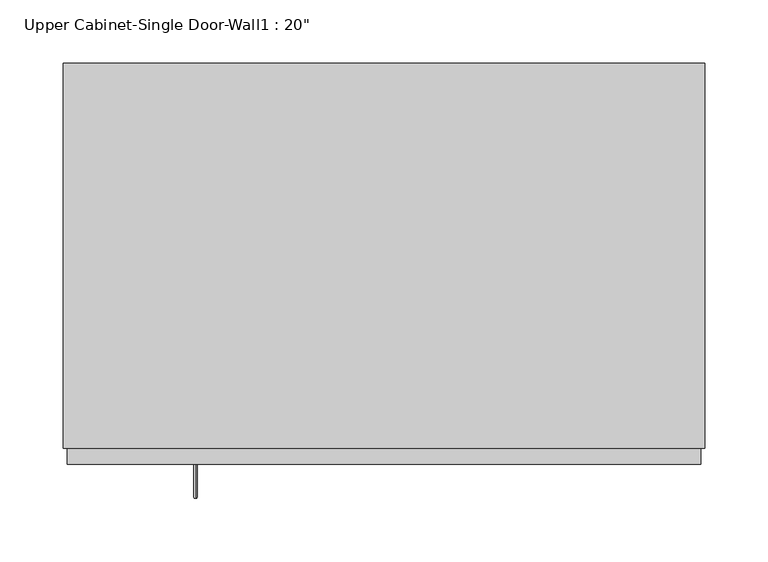
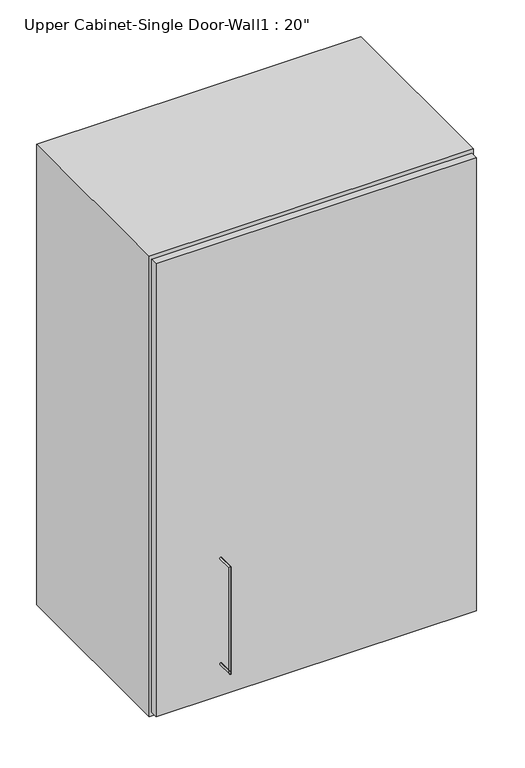
"""IFC4 building model written with IfcOpenShell, lengths in millimetres: furniture geometry."""

import ifcopenshell
import ifcopenshell.guid

model = None  # the IFC model being written
_history = None  # IfcOwnerHistory: only IFC2X3 demands one
_inside = {}  # id of a spatial element -> (the spatial element, [elements in it])
_under = {}  # id of a project, library or spatial element -> (it, [spatial elements below it])
_declared = {}  # id of a project -> (the project, [libraries it declares])
_typed = {}  # id of a type object -> (the type object, [elements of that type])
_made_of = {}  # id of a material, layer set ... -> (it, [elements and type objects made of it])


def new_model(schema):
    """Start an empty IFC model of exactly this schema.

    Asked for "IFC4X3", IfcOpenShell would pick the latest addendum, in which some entities
    have other attributes; the version numbers below select the first issue.
    IFC2X3 requires an IfcOwnerHistory on every rooted entity: one is made here for all.
    """
    global model, _history
    if schema == "IFC4X3":
        model = ifcopenshell.file(schema_version=(4, 3, 0, 0))
    else:
        model = ifcopenshell.file(schema=schema)
    _inside.clear()
    _under.clear()
    _declared.clear()
    _typed.clear()
    _made_of.clear()
    _history = None
    if model.schema == "IFC2X3":
        org = make("IfcOrganization", Name="unknown")
        user = make(
            "IfcPersonAndOrganization",
            ThePerson=make("IfcPerson", FamilyName="unknown"),
            TheOrganization=org,
        )
        app = make(
            "IfcApplication",
            ApplicationDeveloper=org,
            Version="unknown",
            ApplicationFullName="unknown",
            ApplicationIdentifier="unknown",
        )
        _history = make(
            "IfcOwnerHistory",
            OwningUser=user,
            OwningApplication=app,
            ChangeAction="ADDED",
            CreationDate=0,
        )
    return model


def make(cls, **values):
    """One entity of the class cls with the attributes given. An attribute that is None is left unset."""
    return model.create_entity(
        cls, **{name: value for name, value in values.items() if value is not None}
    )


def rooted(cls, **values):
    """An entity with a GlobalId (a new one), such as an element, a storey or a relation."""
    return make(cls, GlobalId=ifcopenshell.guid.new(), OwnerHistory=_history, **values)


def si_unit(unit_type, name, prefix=None):
    """IfcSIUnit, for example si_unit("LENGTHUNIT", "METRE", prefix="MILLI")."""
    return make("IfcSIUnit", UnitType=unit_type, Prefix=prefix, Name=name)


def assignment(units):
    """IfcUnitAssignment: the units of a project."""
    return None if units is None else make("IfcUnitAssignment", Units=units)


def point(xyz):
    """IfcCartesianPoint."""
    return None if xyz is None else make("IfcCartesianPoint", Coordinates=xyz)


def direction(xyz):
    """IfcDirection."""
    return None if xyz is None else make("IfcDirection", DirectionRatios=xyz)


def frame(location, z_axis=None, x_axis=None):
    """IfcAxis2Placement3D, a coordinate frame: its origin and axes. An axis left out is left unset."""
    return make(
        "IfcAxis2Placement3D",
        Location=point(location),
        Axis=direction(z_axis),
        RefDirection=direction(x_axis),
    )


def origin():
    """The frame at (0, 0, 0) with its axes left unset."""
    return frame((0.0, 0.0, 0.0))


def place(relative_to, where):
    """IfcLocalPlacement: puts the frame where relative to a parent placement (None: the world)."""
    return make(
        "IfcLocalPlacement", PlacementRelTo=relative_to, RelativePlacement=where
    )


def context(
    kind, dimensions, precision=None, world=None, true_north=None, identifier=None
):
    """IfcGeometricRepresentationContext, for example the 3D "Model" context."""
    return make(
        "IfcGeometricRepresentationContext",
        ContextIdentifier=identifier,
        ContextType=kind,
        CoordinateSpaceDimension=dimensions,
        Precision=precision,
        WorldCoordinateSystem=world,
        TrueNorth=true_north,
    )


def project(units=None, contexts=None):
    """IfcProject with its units and contexts."""
    return rooted(
        "IfcProject",
        Name="project",
        RepresentationContexts=contexts,
        UnitsInContext=assignment(units),
    )


def spatial(cls, under=None, at=None, **own):
    """A site, building, storey or space (cls), placed at a placement, below another one or the project."""
    s = rooted(cls, ObjectPlacement=at, **own)
    if under is not None:
        _under.setdefault(under.id(), (under, []))[1].append(s)
    return s


def polyline(points):
    """IfcPolyline through the points."""
    return make("IfcPolyline", Points=[point(p) for p in points])


def circle_curve(where, radius):
    """IfcCircle in the frame where."""
    return make("IfcCircle", Position=where, Radius=radius)


def ellipse_curve(where, semi_axis1, semi_axis2):
    """IfcEllipse in the frame where."""
    return make(
        "IfcEllipse", Position=where, SemiAxis1=semi_axis1, SemiAxis2=semi_axis2
    )


def outline(outer, holes=None, kind="AREA"):
    """IfcArbitraryClosedProfileDef: a profile drawn as a closed curve; with holes, ...WithVoids."""
    if holes is None:
        return make("IfcArbitraryClosedProfileDef", ProfileType=kind, OuterCurve=outer)
    return make(
        "IfcArbitraryProfileDefWithVoids",
        ProfileType=kind,
        OuterCurve=outer,
        InnerCurves=holes,
    )


def extrude(swept, where, along, depth):
    """IfcExtrudedAreaSolid: the profile swept, set in the frame where, extruded along a direction by depth."""
    return make(
        "IfcExtrudedAreaSolid",
        SweptArea=swept,
        Position=where,
        ExtrudedDirection=direction(along),
        Depth=depth,
    )


def faces_of(points, faces, orient=None, outer=None):
    """IfcFace entities. A face is a list of loops; a loop is a list of indices into points, from 0.

    orient and outer hold one flag for each loop. By default every Orientation is true, the
    first loop of a face is its IfcFaceOuterBound and the others are IfcFaceBound.
    """
    made = []
    for i, loops in enumerate(faces):
        bounds = []
        for j, loop in enumerate(loops):
            is_outer = j == 0 if outer is None else outer[i][j]
            bounds.append(
                make(
                    "IfcFaceOuterBound" if is_outer else "IfcFaceBound",
                    Bound=make("IfcPolyLoop", Polygon=[points[k] for k in loop]),
                    Orientation=True if orient is None else orient[i][j],
                )
            )
        made.append(make("IfcFace", Bounds=bounds))
    return made


def faceted_brep(points, faces, orient=None, outer=None, voids=None):
    """IfcFacetedBrep: a solid bounded by flat faces; with voids (closed shells), ...WithVoids."""
    shared = [point(p) for p in points]
    hull = make("IfcClosedShell", CfsFaces=faces_of(shared, faces, orient, outer))
    if voids is None:
        return make("IfcFacetedBrep", Outer=hull)
    return make(
        "IfcFacetedBrepWithVoids",
        Outer=hull,
        Voids=[
            make(cls, CfsFaces=faces_of(shared, fs, o, b)) for cls, fs, o, b in voids
        ],
    )


def shape(context_of_items, identifier, shape_type, items):
    """IfcShapeRepresentation: the items that make up one representation, for example the "Body"."""
    return make(
        "IfcShapeRepresentation",
        ContextOfItems=context_of_items,
        RepresentationIdentifier=identifier,
        RepresentationType=shape_type,
        Items=items,
    )


def source(mapping_origin, context_of_items, identifier, shape_type, items):
    """IfcRepresentationMap: a shape defined once, which mapped items show again and again."""
    return make(
        "IfcRepresentationMap",
        MappingOrigin=mapping_origin,
        MappedRepresentation=shape(context_of_items, identifier, shape_type, items),
    )


def transform(
    local_origin,
    x_axis=None,
    y_axis=None,
    z_axis=None,
    scale=None,
    scale2=None,
    scale3=None,
    uniform=True,
):
    """IfcCartesianTransformationOperator3D, or its non-uniform kind. x_axis, y_axis, z_axis: its Axis1, 2, 3."""
    if uniform:
        return make(
            "IfcCartesianTransformationOperator3D",
            Axis1=direction(x_axis),
            Axis2=direction(y_axis),
            LocalOrigin=point(local_origin),
            Scale=scale,
            Axis3=direction(z_axis),
        )
    return make(
        "IfcCartesianTransformationOperator3DnonUniform",
        Axis1=direction(x_axis),
        Axis2=direction(y_axis),
        LocalOrigin=point(local_origin),
        Scale=scale,
        Axis3=direction(z_axis),
        Scale2=scale2,
        Scale3=scale3,
    )


def mapped(mapping_source, mapping_target):
    """IfcMappedItem: shows the shape of a source again, moved by a transform."""
    return make(
        "IfcMappedItem", MappingSource=mapping_source, MappingTarget=mapping_target
    )


def made_of(thing, what):
    """Note that an element or type object is made of a material, layer set ...; save() writes the relation."""
    if what is not None:
        _made_of.setdefault(what.id(), (what, []))[1].append(thing)
    return thing


def element(
    cls,
    number,
    at=None,
    inside=None,
    cuts=None,
    type_object=None,
    material=None,
    context=None,
    identifier="Body",
    shape_type=None,
    held_by="IfcProductDefinitionShape",
    body=None,
    shapes=None,
    **own,
):
    """One element of the class cls, such as IfcWall. Its Tag is "e" and its number.

    at: its placement. inside: the storey or other place that contains it. cuts: it is an
    opening in that element (IfcRelVoidsElement). A single representation is given by context,
    identifier, shape_type and body (its items); several are given by shapes. held_by: the class
    of the entity that holds the representations. save() writes the other relations.
    """
    e = rooted(cls, Tag="e%d" % number, ObjectPlacement=at, **own)
    if body is not None:
        shapes = [shape(context, identifier, shape_type, body)]
    if shapes is not None:
        e.Representation = make(held_by, Representations=shapes)
    if inside is not None:
        _inside.setdefault(inside.id(), (inside, []))[1].append(e)
    if cuts is not None:
        rooted(
            "IfcRelVoidsElement", RelatingBuildingElement=cuts, RelatedOpeningElement=e
        )
    if type_object is not None:
        _typed.setdefault(type_object.id(), (type_object, []))[1].append(e)
    return made_of(e, material)


def aggregate(whole, parts):
    """IfcRelAggregates: a whole, such as a stair, and the parts it consists of."""
    return rooted("IfcRelAggregates", RelatingObject=whole, RelatedObjects=parts)


def save(model, path):
    """Write the relations noted so far, then the file.

    IfcRelAggregates (storeys below a building ...), IfcRelContainedInSpatialStructure (elements
    in a storey), IfcRelDefinesByType, IfcRelAssociatesMaterial and IfcRelDeclares: one each for
    every whole, place, type object, material and project.
    """
    for whole, parts in _under.values():
        aggregate(whole, parts)
    for where, things in _inside.values():
        rooted(
            "IfcRelContainedInSpatialStructure",
            RelatedElements=things,
            RelatingStructure=where,
        )
    for kind, things in _typed.values():
        rooted("IfcRelDefinesByType", RelatedObjects=things, RelatingType=kind)
    for what, things in _made_of.values():
        rooted("IfcRelAssociatesMaterial", RelatedObjects=things, RelatingMaterial=what)
    for by, libraries in _declared.values():
        rooted("IfcRelDeclares", RelatingContext=by, RelatedDefinitions=libraries)
    model.write(path)


def plane_surface(at):
    """IfcPlane: the flat surface through the origin of the frame at, square to its z axis."""
    return make("IfcPlane", Position=at)


def cylinder_surface(at, radius):
    """IfcCylindricalSurface: all points at the distance radius from the z axis of the frame at."""
    return make("IfcCylindricalSurface", Position=at, Radius=radius)


def advanced_brep(points, edges, surfaces, faces):
    """IfcAdvancedBrep: a solid bounded by faces that lie on surfaces and meet in shared edges.

    An edge is (start, end): straight between two places in points (the first is 0);
    or (start, end, curve); or (start, end, curve, False) where it runs against its curve.
    A face is (place in surfaces, loops), or (place, loops, False) where it looks against
    its surface's normal. A loop lists edges by number (the first is 1), with a minus sign
    where the edge is run from its end to its start. The first loop is the outer one.
    """
    corners = [point(p) for p in points]
    vertices = [make("IfcVertexPoint", VertexGeometry=c) for c in corners]
    made = []
    for start, end, *more in edges:
        made.append(
            make(
                "IfcEdgeCurve",
                EdgeStart=vertices[start],
                EdgeEnd=vertices[end],
                EdgeGeometry=more[0] if more else make("IfcPolyline", Points=[corners[start], corners[end]]),
                SameSense=more[1] if len(more) > 1 else True,
            )
        )
    hull = []
    for where, loops, *sense in faces:
        bounds = []
        for j, loop in enumerate(loops):
            ring = [make("IfcOrientedEdge", EdgeElement=made[abs(k) - 1], Orientation=k > 0) for k in loop]
            bounds.append(
                make(
                    "IfcFaceOuterBound" if j == 0 else "IfcFaceBound",
                    Bound=make("IfcEdgeLoop", EdgeList=ring),
                    Orientation=True,
                )
            )
        hull.append(make("IfcAdvancedFace", Bounds=bounds, FaceSurface=surfaces[where], SameSense=sense[0] if sense else True))
    return make("IfcAdvancedBrep", Outer=make("IfcClosedShell", CfsFaces=hull))


def furniture_b13e5629(model_context):
    return source(origin(), model_context, "Body", "SolidModel", [
        advanced_brep(
        [(-119.4538372, -389.875, 1431.925), (-119.4538372, -389.875, 1428.75), (-119.4538372, -416.8625, 1428.75), (-119.4538372, -413.6875, 1431.925), (-119.4538372, -416.8625, 1606.55), (-119.4538372, -413.6875, 1603.375), (-119.4538372, -389.875, 1603.375), (-119.4538372, -389.875, 1606.55)],
        [
            (0, 1, circle_curve(frame((-119.4538372, -389.875, 1430.3375), z_axis=(0.0, 1.0, 0.0), x_axis=(0.0, 0.0, -1.0)), 1.5875)),
            (1, 0, circle_curve(frame((-119.4538372, -389.875, 1430.3375), z_axis=(0.0, 1.0, 0.0), x_axis=(0.0, 0.0, -1.0)), 1.5875)),
            (1, 2),
            (2, 3, ellipse_curve(frame((-119.4538372, -415.275, 1430.3375), z_axis=(0.0, 0.7071067811865536, -0.7071067811865416), x_axis=(0.0, 0.7071067811865415, 0.7071067811865536)), 2.245064, 1.5875)),
            (3, 0),
            (3, 2, ellipse_curve(frame((-119.4538372, -415.275, 1430.3375), z_axis=(0.0, 0.7071067811865536, -0.7071067811865416), x_axis=(0.0, 0.7071067811865415, 0.7071067811865536)), 2.245064, 1.5875)),
            (2, 4),
            (4, 5, ellipse_curve(frame((-119.4538372, -415.275, 1604.9625), z_axis=(0.0, -0.7071067811865415, -0.7071067811865535), x_axis=(0.0, 0.7071067811865533, -0.7071067811865418)), 2.245064, 1.5875)),
            (5, 3),
            (5, 4, ellipse_curve(frame((-119.4538372, -415.275, 1604.9625), z_axis=(0.0, -0.7071067811865415, -0.7071067811865535), x_axis=(0.0, 0.7071067811865533, -0.7071067811865418)), 2.245064, 1.5875)),
            (6, 7, circle_curve(frame((-119.4538372, -389.875, 1604.9625), z_axis=(0.0, 1.0, 0.0), x_axis=(0.0, 0.0, 1.0)), 1.5875)),
            (7, 6, circle_curve(frame((-119.4538372, -389.875, 1604.9625), z_axis=(0.0, 1.0, 0.0), x_axis=(0.0, 0.0, 1.0)), 1.5875)),
            (4, 7),
            (6, 5),
        ],
        [
            plane_surface(frame((-119.4538372, -389.875, 1430.3375), z_axis=(0.0, 1.0, 0.0), x_axis=(-1.0, 0.0, 0.0))),
            cylinder_surface(frame((-119.4538372, -389.875, 1430.3375), z_axis=(0.0, 1.0, 0.0), x_axis=(0.0, 0.0, -1.0)), 1.5875),
            cylinder_surface(frame((-119.4538372, -415.275, 1430.3375), z_axis=(0.0, 0.0, -1.0), x_axis=(0.0, -1.0, 0.0)), 1.5875),
            plane_surface(frame((-119.4538372, -389.875, 1604.9625), z_axis=(0.0, 1.0, 0.0), x_axis=(-1.0, 0.0, 0.0))),
            cylinder_surface(frame((-119.4538372, -415.275, 1604.9625), z_axis=(0.0, -1.0, 0.0), x_axis=(0.0, 0.0, 1.0)), 1.5875),
        ],
        [
            (0, [[1, 2]]),
            (1, [[3, 4, 5, -2]]),
            (1, [[-5, 6, -3, -1]]),
            (2, [[7, 8, 9, -4]]),
            (2, [[-9, 10, -7, -6]]),
            (3, [[11, 12]]),
            (4, [[13, -11, 14, -8]]),
            (4, [[-14, -12, -13, -10]]),
        ],
    ),
        faceted_brep([(-224.2288372, -72.375, 2133.6), (283.7711628, -72.375, 2133.6), (283.7711628, -72.375, 1371.6), (-224.2288372, -72.375, 1371.6), (-224.2288372, -377.175, 2133.6), (-224.2288372, -377.175, 1371.6), (283.7711628, -377.175, 1371.6), (283.7711628, -377.175, 2133.6), (-205.1788372, -377.175, 2114.55), (264.7211628, -377.175, 2114.55), (264.7211628, -377.175, 1390.65), (-205.1788372, -377.175, 1390.65), (-205.1788372, -91.425, 2114.55), (264.7211628, -91.425, 2114.55), (264.7211628, -91.425, 1390.65), (-205.1788372, -91.425, 1390.65)], [[[0, 1, 2, 3]], [[4, 5, 6, 7], [8, 9, 10, 11]], [[3, 5, 4, 0]], [[2, 6, 5, 3]], [[1, 7, 6, 2]], [[0, 4, 7, 1]], [[8, 12, 13, 9]], [[9, 13, 14, 10]], [[10, 14, 15, 11]], [[11, 15, 12, 8]], [[12, 15, 14, 13]]]),
        extrude(outline(polyline([(-221.0538372, -389.875), (-221.0538372, -358.125), (280.5961628, -358.125), (280.5961628, -389.875), (-221.0538372, -389.875)])), frame((0.0, 0.0, 1377.95), z_axis=(0.0, 0.0, 1.0), x_axis=(1.0, 0.0, 0.0)), (0.0, 0.0, 1.0), 749.3),
    ])


if __name__ == "__main__":
    model = new_model("IFC4")
    model_context = context("Model", 3, world=origin())
    ifc_project = project(units=[si_unit("LENGTHUNIT", "METRE", prefix="MILLI")], contexts=[model_context])
    site = spatial("IfcSite", under=ifc_project)
    building = spatial("IfcBuilding", under=site)
    placement = place(None, origin())
    furniture_shape = furniture_b13e5629(model_context)
    element("IfcFurniture", 1, ObjectType="Upper Cabinet-Single Door-Wall1 : 20\"", at=placement, inside=building, context=model_context, shape_type="MappedRepresentation", body=[
        mapped(furniture_shape, transform((0.0, 0.0, 0.0), x_axis=(1.0, 0.0, 0.0), y_axis=(0.0, 1.0, 0.0), z_axis=(0.0, 0.0, 1.0))),
    ])
    save(model, "model.ifc")
